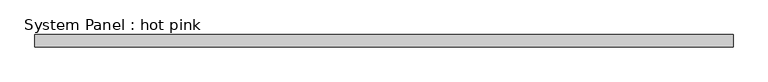
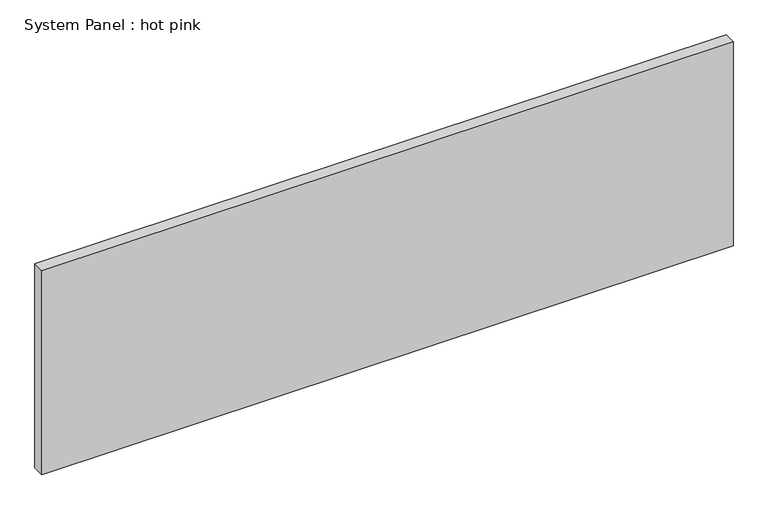
"""IFC4 building model written with IfcOpenShell, lengths in millimetres: plate geometry, System Panel : hot pink."""

import ifcopenshell
import ifcopenshell.guid

model = None  # the IFC model being written
_history = None  # IfcOwnerHistory: only IFC2X3 demands one
_inside = {}  # id of a spatial element -> (the spatial element, [elements in it])
_under = {}  # id of a project, library or spatial element -> (it, [spatial elements below it])
_declared = {}  # id of a project -> (the project, [libraries it declares])
_typed = {}  # id of a type object -> (the type object, [elements of that type])
_made_of = {}  # id of a material, layer set ... -> (it, [elements and type objects made of it])


def new_model(schema):
    """Start an empty IFC model of exactly this schema.

    Asked for "IFC4X3", IfcOpenShell would pick the latest addendum, in which some entities
    have other attributes; the version numbers below select the first issue.
    IFC2X3 requires an IfcOwnerHistory on every rooted entity: one is made here for all.
    """
    global model, _history
    if schema == "IFC4X3":
        model = ifcopenshell.file(schema_version=(4, 3, 0, 0))
    else:
        model = ifcopenshell.file(schema=schema)
    _inside.clear()
    _under.clear()
    _declared.clear()
    _typed.clear()
    _made_of.clear()
    _history = None
    if model.schema == "IFC2X3":
        org = make("IfcOrganization", Name="unknown")
        user = make(
            "IfcPersonAndOrganization",
            ThePerson=make("IfcPerson", FamilyName="unknown"),
            TheOrganization=org,
        )
        app = make(
            "IfcApplication",
            ApplicationDeveloper=org,
            Version="unknown",
            ApplicationFullName="unknown",
            ApplicationIdentifier="unknown",
        )
        _history = make(
            "IfcOwnerHistory",
            OwningUser=user,
            OwningApplication=app,
            ChangeAction="ADDED",
            CreationDate=0,
        )
    return model


def make(cls, **values):
    """One entity of the class cls with the attributes given. An attribute that is None is left unset."""
    return model.create_entity(
        cls, **{name: value for name, value in values.items() if value is not None}
    )


def rooted(cls, **values):
    """An entity with a GlobalId (a new one), such as an element, a storey or a relation."""
    return make(cls, GlobalId=ifcopenshell.guid.new(), OwnerHistory=_history, **values)


def si_unit(unit_type, name, prefix=None):
    """IfcSIUnit, for example si_unit("LENGTHUNIT", "METRE", prefix="MILLI")."""
    return make("IfcSIUnit", UnitType=unit_type, Prefix=prefix, Name=name)


def assignment(units):
    """IfcUnitAssignment: the units of a project."""
    return None if units is None else make("IfcUnitAssignment", Units=units)


def point(xyz):
    """IfcCartesianPoint."""
    return None if xyz is None else make("IfcCartesianPoint", Coordinates=xyz)


def direction(xyz):
    """IfcDirection."""
    return None if xyz is None else make("IfcDirection", DirectionRatios=xyz)


def frame(location, z_axis=None, x_axis=None):
    """IfcAxis2Placement3D, a coordinate frame: its origin and axes. An axis left out is left unset."""
    return make(
        "IfcAxis2Placement3D",
        Location=point(location),
        Axis=direction(z_axis),
        RefDirection=direction(x_axis),
    )


def origin():
    """The frame at (0, 0, 0) with its axes left unset."""
    return frame((0.0, 0.0, 0.0))


def origin_with_axes():
    """The frame at (0, 0, 0) with the z axis (0, 0, 1) and the x axis (1, 0, 0) written out."""
    return frame((0.0, 0.0, 0.0), z_axis=(0.0, 0.0, 1.0), x_axis=(1.0, 0.0, 0.0))


def place(relative_to, where):
    """IfcLocalPlacement: puts the frame where relative to a parent placement (None: the world)."""
    return make(
        "IfcLocalPlacement", PlacementRelTo=relative_to, RelativePlacement=where
    )


def context(
    kind, dimensions, precision=None, world=None, true_north=None, identifier=None
):
    """IfcGeometricRepresentationContext, for example the 3D "Model" context."""
    return make(
        "IfcGeometricRepresentationContext",
        ContextIdentifier=identifier,
        ContextType=kind,
        CoordinateSpaceDimension=dimensions,
        Precision=precision,
        WorldCoordinateSystem=world,
        TrueNorth=true_north,
    )


def project(units=None, contexts=None):
    """IfcProject with its units and contexts."""
    return rooted(
        "IfcProject",
        Name="project",
        RepresentationContexts=contexts,
        UnitsInContext=assignment(units),
    )


def spatial(cls, under=None, at=None, **own):
    """A site, building, storey or space (cls), placed at a placement, below another one or the project."""
    s = rooted(cls, ObjectPlacement=at, **own)
    if under is not None:
        _under.setdefault(under.id(), (under, []))[1].append(s)
    return s


def polyline(points):
    """IfcPolyline through the points."""
    return make("IfcPolyline", Points=[point(p) for p in points])


def outline(outer, holes=None, kind="AREA"):
    """IfcArbitraryClosedProfileDef: a profile drawn as a closed curve; with holes, ...WithVoids."""
    if holes is None:
        return make("IfcArbitraryClosedProfileDef", ProfileType=kind, OuterCurve=outer)
    return make(
        "IfcArbitraryProfileDefWithVoids",
        ProfileType=kind,
        OuterCurve=outer,
        InnerCurves=holes,
    )


def extrude(swept, where, along, depth):
    """IfcExtrudedAreaSolid: the profile swept, set in the frame where, extruded along a direction by depth."""
    return make(
        "IfcExtrudedAreaSolid",
        SweptArea=swept,
        Position=where,
        ExtrudedDirection=direction(along),
        Depth=depth,
    )


def shape(context_of_items, identifier, shape_type, items):
    """IfcShapeRepresentation: the items that make up one representation, for example the "Body"."""
    return make(
        "IfcShapeRepresentation",
        ContextOfItems=context_of_items,
        RepresentationIdentifier=identifier,
        RepresentationType=shape_type,
        Items=items,
    )


def source(mapping_origin, context_of_items, identifier, shape_type, items):
    """IfcRepresentationMap: a shape defined once, which mapped items show again and again."""
    return make(
        "IfcRepresentationMap",
        MappingOrigin=mapping_origin,
        MappedRepresentation=shape(context_of_items, identifier, shape_type, items),
    )


def transform(
    local_origin,
    x_axis=None,
    y_axis=None,
    z_axis=None,
    scale=None,
    scale2=None,
    scale3=None,
    uniform=True,
):
    """IfcCartesianTransformationOperator3D, or its non-uniform kind. x_axis, y_axis, z_axis: its Axis1, 2, 3."""
    if uniform:
        return make(
            "IfcCartesianTransformationOperator3D",
            Axis1=direction(x_axis),
            Axis2=direction(y_axis),
            LocalOrigin=point(local_origin),
            Scale=scale,
            Axis3=direction(z_axis),
        )
    return make(
        "IfcCartesianTransformationOperator3DnonUniform",
        Axis1=direction(x_axis),
        Axis2=direction(y_axis),
        LocalOrigin=point(local_origin),
        Scale=scale,
        Axis3=direction(z_axis),
        Scale2=scale2,
        Scale3=scale3,
    )


def mapped(mapping_source, mapping_target):
    """IfcMappedItem: shows the shape of a source again, moved by a transform."""
    return make(
        "IfcMappedItem", MappingSource=mapping_source, MappingTarget=mapping_target
    )


def made_of(thing, what):
    """Note that an element or type object is made of a material, layer set ...; save() writes the relation."""
    if what is not None:
        _made_of.setdefault(what.id(), (what, []))[1].append(thing)
    return thing


def element(
    cls,
    number,
    at=None,
    inside=None,
    cuts=None,
    type_object=None,
    material=None,
    context=None,
    identifier="Body",
    shape_type=None,
    held_by="IfcProductDefinitionShape",
    body=None,
    shapes=None,
    **own,
):
    """One element of the class cls, such as IfcWall. Its Tag is "e" and its number.

    at: its placement. inside: the storey or other place that contains it. cuts: it is an
    opening in that element (IfcRelVoidsElement). A single representation is given by context,
    identifier, shape_type and body (its items); several are given by shapes. held_by: the class
    of the entity that holds the representations. save() writes the other relations.
    """
    e = rooted(cls, Tag="e%d" % number, ObjectPlacement=at, **own)
    if body is not None:
        shapes = [shape(context, identifier, shape_type, body)]
    if shapes is not None:
        e.Representation = make(held_by, Representations=shapes)
    if inside is not None:
        _inside.setdefault(inside.id(), (inside, []))[1].append(e)
    if cuts is not None:
        rooted(
            "IfcRelVoidsElement", RelatingBuildingElement=cuts, RelatedOpeningElement=e
        )
    if type_object is not None:
        _typed.setdefault(type_object.id(), (type_object, []))[1].append(e)
    return made_of(e, material)


def aggregate(whole, parts):
    """IfcRelAggregates: a whole, such as a stair, and the parts it consists of."""
    return rooted("IfcRelAggregates", RelatingObject=whole, RelatedObjects=parts)


def save(model, path):
    """Write the relations noted so far, then the file.

    IfcRelAggregates (storeys below a building ...), IfcRelContainedInSpatialStructure (elements
    in a storey), IfcRelDefinesByType, IfcRelAssociatesMaterial and IfcRelDeclares: one each for
    every whole, place, type object, material and project.
    """
    for whole, parts in _under.values():
        aggregate(whole, parts)
    for where, things in _inside.values():
        rooted(
            "IfcRelContainedInSpatialStructure",
            RelatedElements=things,
            RelatingStructure=where,
        )
    for kind, things in _typed.values():
        rooted("IfcRelDefinesByType", RelatedObjects=things, RelatingType=kind)
    for what, things in _made_of.values():
        rooted("IfcRelAssociatesMaterial", RelatedObjects=things, RelatingMaterial=what)
    for by, libraries in _declared.values():
        rooted("IfcRelDeclares", RelatingContext=by, RelatedDefinitions=libraries)
    model.write(path)


def system_panel_hot_pink_3ba616dd(model_context):
    return source(origin(), model_context, "Body", "SweptSolid", [
        extrude(outline(polyline([(1800.6631044, -19.05), (-1800.6631044, -19.05), (-1800.6631044, 44.45), (1800.6631044, 44.45), (1800.6631044, -19.05)])), origin_with_axes(), (0.0, 0.0, 1.0), 1123.95),
    ])


if __name__ == "__main__":
    model = new_model("IFC4")
    model_context = context("Model", 3, world=origin())
    ifc_project = project(units=[si_unit("LENGTHUNIT", "METRE", prefix="MILLI")], contexts=[model_context])
    site = spatial("IfcSite", under=ifc_project)
    building = spatial("IfcBuilding", under=site)
    placement = place(None, origin())
    system_panel_hot_pink_shape = system_panel_hot_pink_3ba616dd(model_context)
    element("IfcPlate", 1, ObjectType="System Panel : hot pink", at=placement, inside=building, context=model_context, shape_type="MappedRepresentation", body=[
        mapped(system_panel_hot_pink_shape, transform((0.0, 0.0, 0.0), x_axis=(1.0, 0.0, 0.0), y_axis=(0.0, 1.0, 0.0), z_axis=(0.0, 0.0, 1.0))),
    ])
    save(model, "model.ifc")
